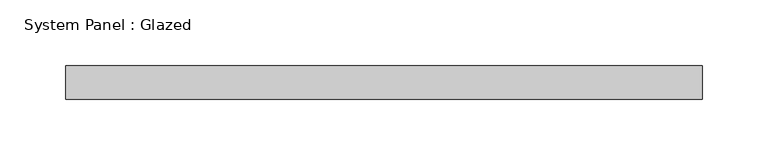
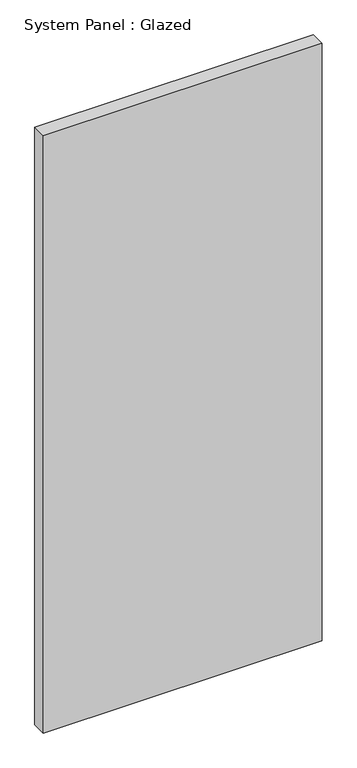
"""IFC4 building model written with IfcOpenShell, lengths in millimetres: plate geometry, System Panel : Glazed."""

from ifc_helpers import new_model, si_unit, origin, origin_with_axes, place, context, project, spatial, polyline, outline, extrude, source, transform, mapped, element, save


def system_panel_glazed_1bcf12e0(model_context):
    return source(origin(), model_context, "Body", "SweptSolid", [
        extrude(outline(polyline([(241.3, 19.05), (-241.3, 19.05), (-241.3, 44.45), (241.3, 44.45), (241.3, 19.05)])), origin_with_axes(), (0.0, 0.0, 1.0), 1092.2),
    ])


if __name__ == "__main__":
    model = new_model("IFC4")
    model_context = context("Model", 3, world=origin())
    ifc_project = project(units=[si_unit("LENGTHUNIT", "METRE", prefix="MILLI")], contexts=[model_context])
    site = spatial("IfcSite", under=ifc_project)
    building = spatial("IfcBuilding", under=site)
    placement = place(None, origin())
    system_panel_glazed_shape = system_panel_glazed_1bcf12e0(model_context)
    element("IfcPlate", 1, ObjectType="System Panel : Glazed", at=placement, inside=building, context=model_context, shape_type="MappedRepresentation", body=[
        mapped(system_panel_glazed_shape, transform((0.0, 0.0, 0.0), x_axis=(1.0, 0.0, 0.0), y_axis=(0.0, 1.0, 0.0), z_axis=(0.0, 0.0, 1.0))),
    ])
    save(model, "model.ifc")
